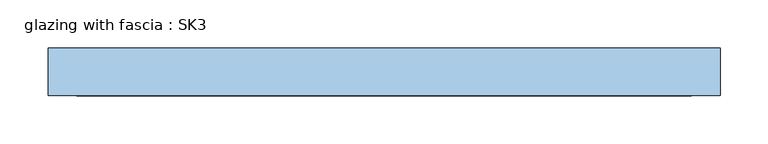
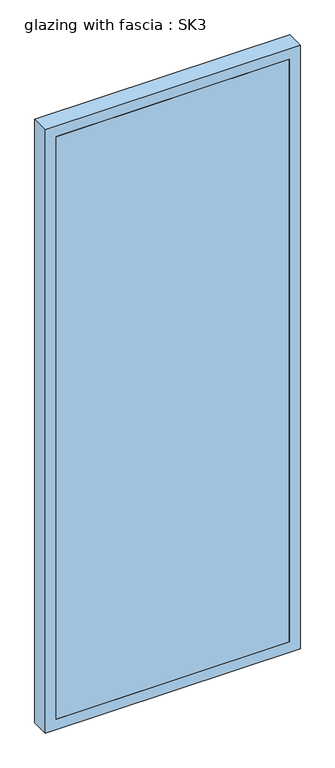
"""IFC4 building model written with IfcOpenShell, lengths in millimetres: window geometry, glazing with fascia : SK3."""

from ifc_helpers import new_model, si_unit, frame, origin, place, context, project, spatial, polyline, outline, extrude, source, transform, mapped, element, save


def glazing_with_fascia_sk3_a20cc18c(model_context):
    return source(origin(), model_context, "Body", "SweptSolid", [
        extrude(outline(polyline([(320.0, 0.1334055), (-320.0, 0.1334055), (-320.0, 8.1334055), (320.0, 8.1334055), (320.0, 0.1334055)])), frame((0.0, 0.0, 30.0), z_axis=(0.0, 0.0, 1.0), x_axis=(1.0, 0.0, 0.0)), (0.0, 0.0, 1.0), 1690.0),
        extrude(outline(polyline([(1750.0, -350.0), (0.0, -350.0), (0.0, 350.0), (1750.0, 350.0), (1750.0, -350.0)]), holes=[polyline([(1720.0, -320.0), (1720.0, 320.0), (30.0, 320.0), (30.0, -320.0), (1720.0, -320.0)])]), frame((0.0, 0.0, 0.0), z_axis=(0.0, 1.0, 0.0), x_axis=(0.0, 0.0, 1.0)), (0.0, 0.0, 1.0), 50.0),
        extrude(outline(polyline([(-320.0, 48.1334055), (320.0, 48.1334055), (320.0, 8.1334055), (-320.0, 8.1334055), (-320.0, 48.1334055)])), frame((0.0, 0.0, 1580.4), z_axis=(0.0, 0.0, 1.0), x_axis=(1.0, 0.0, 0.0)), (0.0, 0.0, 1.0), 30.0),
        extrude(outline(polyline([(-320.0, 48.1334055), (320.0, 48.1334055), (320.0, 8.1334055), (-320.0, 8.1334055), (-320.0, 48.1334055)])), frame((0.0, 0.0, 1490.4), z_axis=(0.0, 0.0, 1.0), x_axis=(1.0, 0.0, 0.0)), (0.0, 0.0, 1.0), 30.0),
        extrude(outline(polyline([(-320.0, 48.1334055), (320.0, 48.1334055), (320.0, 8.1334055), (-320.0, 8.1334055), (-320.0, 48.1334055)])), frame((0.0, 0.0, 1400.4), z_axis=(0.0, 0.0, 1.0), x_axis=(1.0, 0.0, 0.0)), (0.0, 0.0, 1.0), 30.0),
        extrude(outline(polyline([(-320.0, 48.1334055), (320.0, 48.1334055), (320.0, 8.1334055), (-320.0, 8.1334055), (-320.0, 48.1334055)])), frame((0.0, 0.0, 1310.4), z_axis=(0.0, 0.0, 1.0), x_axis=(1.0, 0.0, 0.0)), (0.0, 0.0, 1.0), 30.0),
        extrude(outline(polyline([(-320.0, 48.1334055), (320.0, 48.1334055), (320.0, 8.1334055), (-320.0, 8.1334055), (-320.0, 48.1334055)])), frame((0.0, 0.0, 1220.4), z_axis=(0.0, 0.0, 1.0), x_axis=(1.0, 0.0, 0.0)), (0.0, 0.0, 1.0), 30.0),
        extrude(outline(polyline([(-320.0, 48.1334055), (320.0, 48.1334055), (320.0, 8.1334055), (-320.0, 8.1334055), (-320.0, 48.1334055)])), frame((0.0, 0.0, 1130.4), z_axis=(0.0, 0.0, 1.0), x_axis=(1.0, 0.0, 0.0)), (0.0, 0.0, 1.0), 30.0),
        extrude(outline(polyline([(-320.0, 48.1334055), (320.0, 48.1334055), (320.0, 8.1334055), (-320.0, 8.1334055), (-320.0, 48.1334055)])), frame((0.0, 0.0, 1040.4), z_axis=(0.0, 0.0, 1.0), x_axis=(1.0, 0.0, 0.0)), (0.0, 0.0, 1.0), 30.0),
        extrude(outline(polyline([(-320.0, 48.1334055), (320.0, 48.1334055), (320.0, 8.1334055), (-320.0, 8.1334055), (-320.0, 48.1334055)])), frame((0.0, 0.0, 950.4), z_axis=(0.0, 0.0, 1.0), x_axis=(1.0, 0.0, 0.0)), (0.0, 0.0, 1.0), 30.0),
        extrude(outline(polyline([(-320.0, 48.1334055), (320.0, 48.1334055), (320.0, 8.1334055), (-320.0, 8.1334055), (-320.0, 48.1334055)])), frame((0.0, 0.0, 860.4), z_axis=(0.0, 0.0, 1.0), x_axis=(1.0, 0.0, 0.0)), (0.0, 0.0, 1.0), 30.0),
        extrude(outline(polyline([(-320.0, 48.1334055), (320.0, 48.1334055), (320.0, 8.1334055), (-320.0, 8.1334055), (-320.0, 48.1334055)])), frame((0.0, 0.0, 770.4), z_axis=(0.0, 0.0, 1.0), x_axis=(1.0, 0.0, 0.0)), (0.0, 0.0, 1.0), 30.0),
        extrude(outline(polyline([(-320.0, 48.1334055), (320.0, 48.1334055), (320.0, 8.1334055), (-320.0, 8.1334055), (-320.0, 48.1334055)])), frame((0.0, 0.0, 680.4), z_axis=(0.0, 0.0, 1.0), x_axis=(1.0, 0.0, 0.0)), (0.0, 0.0, 1.0), 30.0),
        extrude(outline(polyline([(-320.0, 48.1334055), (320.0, 48.1334055), (320.0, 8.1334055), (-320.0, 8.1334055), (-320.0, 48.1334055)])), frame((0.0, 0.0, 590.4), z_axis=(0.0, 0.0, 1.0), x_axis=(1.0, 0.0, 0.0)), (0.0, 0.0, 1.0), 30.0),
        extrude(outline(polyline([(-320.0, 48.1334055), (320.0, 48.1334055), (320.0, 8.1334055), (-320.0, 8.1334055), (-320.0, 48.1334055)])), frame((0.0, 0.0, 500.4), z_axis=(0.0, 0.0, 1.0), x_axis=(1.0, 0.0, 0.0)), (0.0, 0.0, 1.0), 30.0),
        extrude(outline(polyline([(-320.0, 48.1334055), (320.0, 48.1334055), (320.0, 8.1334055), (-320.0, 8.1334055), (-320.0, 48.1334055)])), frame((0.0, 0.0, 410.4), z_axis=(0.0, 0.0, 1.0), x_axis=(1.0, 0.0, 0.0)), (0.0, 0.0, 1.0), 30.0),
        extrude(outline(polyline([(-320.0, 48.1334055), (320.0, 48.1334055), (320.0, 8.1334055), (-320.0, 8.1334055), (-320.0, 48.1334055)])), frame((0.0, 0.0, 320.4), z_axis=(0.0, 0.0, 1.0), x_axis=(1.0, 0.0, 0.0)), (0.0, 0.0, 1.0), 30.0),
        extrude(outline(polyline([(-320.0, 48.1334055), (320.0, 48.1334055), (320.0, 8.1334055), (-320.0, 8.1334055), (-320.0, 48.1334055)])), frame((0.0, 0.0, 230.4), z_axis=(0.0, 0.0, 1.0), x_axis=(1.0, 0.0, 0.0)), (0.0, 0.0, 1.0), 30.0),
        extrude(outline(polyline([(-320.0, 48.1334055), (320.0, 48.1334055), (320.0, 8.1334055), (-320.0, 8.1334055), (-320.0, 48.1334055)])), frame((0.0, 0.0, 140.4), z_axis=(0.0, 0.0, 1.0), x_axis=(1.0, 0.0, 0.0)), (0.0, 0.0, 1.0), 30.0),
        extrude(outline(polyline([(-320.0, 48.1334055), (320.0, 48.1334055), (320.0, 8.1334055), (-320.0, 8.1334055), (-320.0, 48.1334055)])), frame((0.0, 0.0, 50.4), z_axis=(0.0, 0.0, 1.0), x_axis=(1.0, 0.0, 0.0)), (0.0, 0.0, 1.0), 30.0),
        extrude(outline(polyline([(-320.0, 48.1334055), (320.0, 48.1334055), (320.0, 8.1334055), (-320.0, 8.1334055), (-320.0, 48.1334055)])), frame((0.0, 0.0, 1670.0), z_axis=(0.0, 0.0, 1.0), x_axis=(1.0, 0.0, 0.0)), (0.0, 0.0, 1.0), 30.0),
    ])


if __name__ == "__main__":
    model = new_model("IFC4")
    model_context = context("Model", 3, world=origin())
    ifc_project = project(units=[si_unit("LENGTHUNIT", "METRE", prefix="MILLI")], contexts=[model_context])
    site = spatial("IfcSite", under=ifc_project)
    building = spatial("IfcBuilding", under=site)
    placement = place(None, origin())
    glazing_with_fascia_sk3_shape = glazing_with_fascia_sk3_a20cc18c(model_context)
    element("IfcWindow", 1, ObjectType="glazing with fascia : SK3", at=placement, inside=building, context=model_context, shape_type="MappedRepresentation", body=[
        mapped(glazing_with_fascia_sk3_shape, transform((0.0, 0.0, 0.0), x_axis=(1.0, 0.0, 0.0), y_axis=(0.0, 1.0, 0.0), z_axis=(0.0, 0.0, 1.0))),
    ])
    save(model, "model.ifc")
